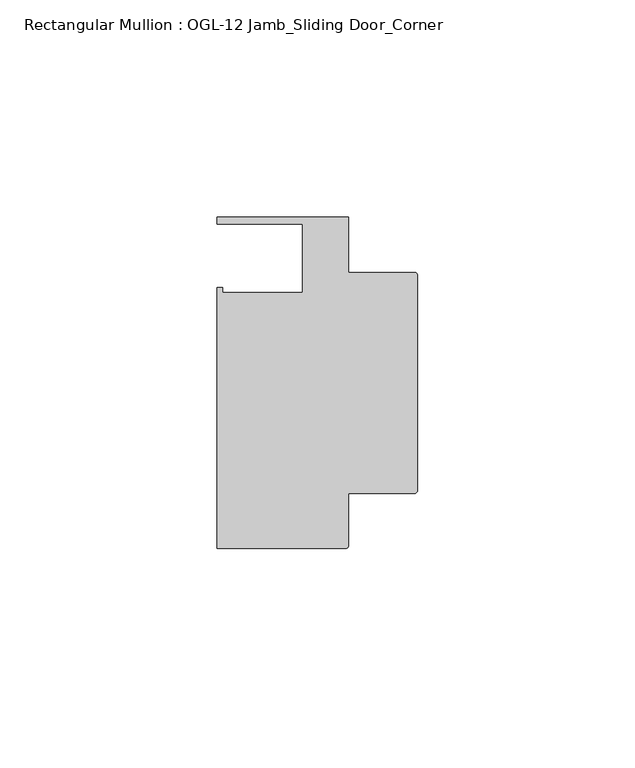
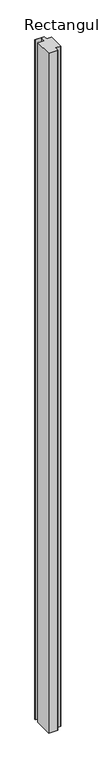
"""IFC4 building model written with IfcOpenShell, lengths in millimetres: member geometry, Rectangular Mullion : OGL-12 Jamb_Sliding Door_Corner."""

from ifc_helpers import new_model, si_unit, point, frame, frame_2d, origin, place, context, project, spatial, polyline, circle_curve, trimmed, segment, composite_curve, outline, extrude, source, transform, mapped, element, save


def rectangular_mullion_ogl_12_jamb_sliding_door_corner_3b55103d(model_context):
    return source(origin(), model_context, "Body", "SweptSolid", [
        extrude(outline(composite_curve([segment(polyline([(-0.5953125, -55.5625), (-15.8750672, -55.5625), (-15.8750672, -67.6668667)]), True, "CONTINUOUS"), segment(trimmed(circle_curve(frame_2d((-16.4703797, -67.6668667)), 0.5953125), [point((-15.8750672, -67.6668667))], [point((-16.4703797, -68.2621792))], False, "CARTESIAN"), True, "CONTINUOUS"), segment(polyline([(-16.4703797, -68.2621792), (-46.0339598, -68.2621792), (-46.0339598, -8.1914024), (-44.7780305, -8.1914024), (-44.7780305, -9.3367652), (-26.3720794, -9.3367652), (-26.3720794, 6.350016), (-46.0248655, 6.350016), (-46.0248655, 7.937516), (-15.8750672, 7.937516), (-15.8750672, -4.7625), (-0.5953125, -4.7625)]), True, "CONTINUOUS"), segment(trimmed(circle_curve(frame_2d((-0.5953125, -5.3578125)), 0.5953125), [point((-0.5953125, -4.7625))], [point((0.0, -5.3578125))], False, "CARTESIAN"), True, "CONTINUOUS"), segment(polyline([(0.0, -5.3578125), (0.0, -54.9671875)]), True, "CONTINUOUS"), segment(trimmed(circle_curve(frame_2d((-0.5953125, -54.9671875)), 0.5953125), [point((0.0, -54.9671875))], [point((-0.5953125, -55.5625))], False, "CARTESIAN"), True, "CONTINUOUS")], self_intersect=False)), frame((0.0, 0.0, -2303.3985282), z_axis=(0.0, 0.0, 1.0), x_axis=(1.0, 0.0, 0.0)), (0.0, 0.0, 1.0), 2303.3985282),
    ])


if __name__ == "__main__":
    model = new_model("IFC4")
    model_context = context("Model", 3, world=origin())
    ifc_project = project(units=[si_unit("LENGTHUNIT", "METRE", prefix="MILLI")], contexts=[model_context])
    site = spatial("IfcSite", under=ifc_project)
    building = spatial("IfcBuilding", under=site)
    placement = place(None, origin())
    rectangular_mullion_ogl_12_jamb_sliding_door_corner_shape = rectangular_mullion_ogl_12_jamb_sliding_door_corner_3b55103d(model_context)
    element("IfcMember", 1, ObjectType="Rectangular Mullion : OGL-12 Jamb_Sliding Door_Corner", at=placement, inside=building, context=model_context, shape_type="MappedRepresentation", body=[
        mapped(rectangular_mullion_ogl_12_jamb_sliding_door_corner_shape, transform((0.0, 0.0, 0.0), x_axis=(1.0, 0.0, 0.0), y_axis=(0.0, 1.0, 0.0), z_axis=(0.0, 0.0, 1.0))),
    ])
    save(model, "model.ifc")
